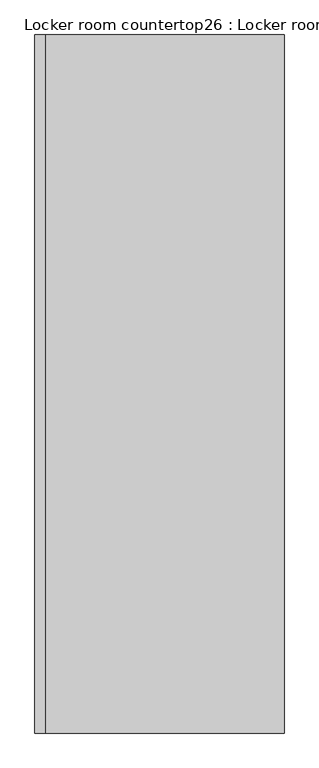
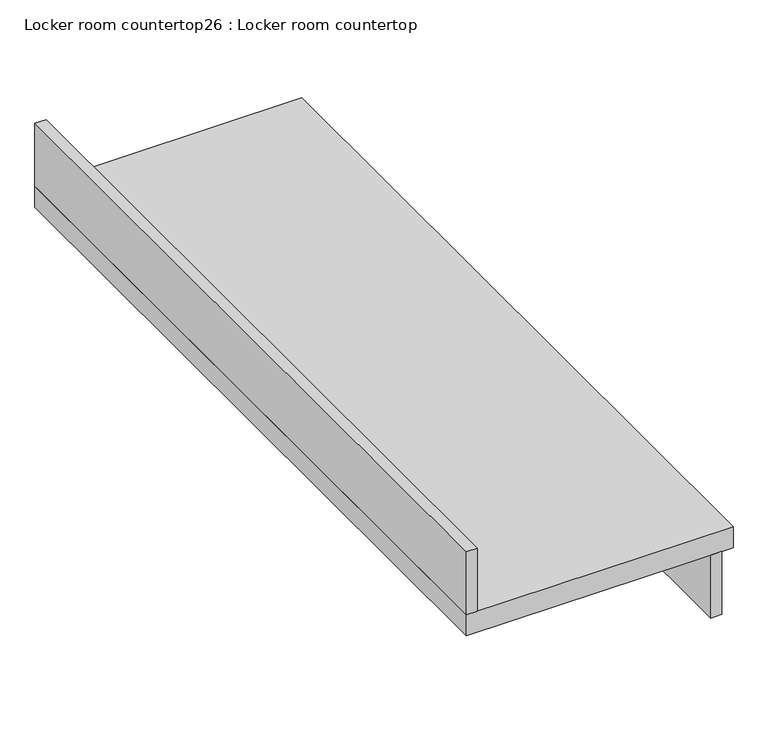
"""IFC4 building model written with IfcOpenShell, lengths in millimetres: furniture geometry, Locker room countertop26 : Locker room countertop."""

import ifcopenshell
import ifcopenshell.guid

model = None  # the IFC model being written
_history = None  # IfcOwnerHistory: only IFC2X3 demands one
_inside = {}  # id of a spatial element -> (the spatial element, [elements in it])
_under = {}  # id of a project, library or spatial element -> (it, [spatial elements below it])
_declared = {}  # id of a project -> (the project, [libraries it declares])
_typed = {}  # id of a type object -> (the type object, [elements of that type])
_made_of = {}  # id of a material, layer set ... -> (it, [elements and type objects made of it])


def new_model(schema):
    """Start an empty IFC model of exactly this schema.

    Asked for "IFC4X3", IfcOpenShell would pick the latest addendum, in which some entities
    have other attributes; the version numbers below select the first issue.
    IFC2X3 requires an IfcOwnerHistory on every rooted entity: one is made here for all.
    """
    global model, _history
    if schema == "IFC4X3":
        model = ifcopenshell.file(schema_version=(4, 3, 0, 0))
    else:
        model = ifcopenshell.file(schema=schema)
    _inside.clear()
    _under.clear()
    _declared.clear()
    _typed.clear()
    _made_of.clear()
    _history = None
    if model.schema == "IFC2X3":
        org = make("IfcOrganization", Name="unknown")
        user = make(
            "IfcPersonAndOrganization",
            ThePerson=make("IfcPerson", FamilyName="unknown"),
            TheOrganization=org,
        )
        app = make(
            "IfcApplication",
            ApplicationDeveloper=org,
            Version="unknown",
            ApplicationFullName="unknown",
            ApplicationIdentifier="unknown",
        )
        _history = make(
            "IfcOwnerHistory",
            OwningUser=user,
            OwningApplication=app,
            ChangeAction="ADDED",
            CreationDate=0,
        )
    return model


def make(cls, **values):
    """One entity of the class cls with the attributes given. An attribute that is None is left unset."""
    return model.create_entity(
        cls, **{name: value for name, value in values.items() if value is not None}
    )


def rooted(cls, **values):
    """An entity with a GlobalId (a new one), such as an element, a storey or a relation."""
    return make(cls, GlobalId=ifcopenshell.guid.new(), OwnerHistory=_history, **values)


def si_unit(unit_type, name, prefix=None):
    """IfcSIUnit, for example si_unit("LENGTHUNIT", "METRE", prefix="MILLI")."""
    return make("IfcSIUnit", UnitType=unit_type, Prefix=prefix, Name=name)


def assignment(units):
    """IfcUnitAssignment: the units of a project."""
    return None if units is None else make("IfcUnitAssignment", Units=units)


def point(xyz):
    """IfcCartesianPoint."""
    return None if xyz is None else make("IfcCartesianPoint", Coordinates=xyz)


def direction(xyz):
    """IfcDirection."""
    return None if xyz is None else make("IfcDirection", DirectionRatios=xyz)


def frame(location, z_axis=None, x_axis=None):
    """IfcAxis2Placement3D, a coordinate frame: its origin and axes. An axis left out is left unset."""
    return make(
        "IfcAxis2Placement3D",
        Location=point(location),
        Axis=direction(z_axis),
        RefDirection=direction(x_axis),
    )


def origin():
    """The frame at (0, 0, 0) with its axes left unset."""
    return frame((0.0, 0.0, 0.0))


def place(relative_to, where):
    """IfcLocalPlacement: puts the frame where relative to a parent placement (None: the world)."""
    return make(
        "IfcLocalPlacement", PlacementRelTo=relative_to, RelativePlacement=where
    )


def context(
    kind, dimensions, precision=None, world=None, true_north=None, identifier=None
):
    """IfcGeometricRepresentationContext, for example the 3D "Model" context."""
    return make(
        "IfcGeometricRepresentationContext",
        ContextIdentifier=identifier,
        ContextType=kind,
        CoordinateSpaceDimension=dimensions,
        Precision=precision,
        WorldCoordinateSystem=world,
        TrueNorth=true_north,
    )


def project(units=None, contexts=None):
    """IfcProject with its units and contexts."""
    return rooted(
        "IfcProject",
        Name="project",
        RepresentationContexts=contexts,
        UnitsInContext=assignment(units),
    )


def spatial(cls, under=None, at=None, **own):
    """A site, building, storey or space (cls), placed at a placement, below another one or the project."""
    s = rooted(cls, ObjectPlacement=at, **own)
    if under is not None:
        _under.setdefault(under.id(), (under, []))[1].append(s)
    return s


def polyline(points):
    """IfcPolyline through the points."""
    return make("IfcPolyline", Points=[point(p) for p in points])


def outline(outer, holes=None, kind="AREA"):
    """IfcArbitraryClosedProfileDef: a profile drawn as a closed curve; with holes, ...WithVoids."""
    if holes is None:
        return make("IfcArbitraryClosedProfileDef", ProfileType=kind, OuterCurve=outer)
    return make(
        "IfcArbitraryProfileDefWithVoids",
        ProfileType=kind,
        OuterCurve=outer,
        InnerCurves=holes,
    )


def extrude(swept, where, along, depth):
    """IfcExtrudedAreaSolid: the profile swept, set in the frame where, extruded along a direction by depth."""
    return make(
        "IfcExtrudedAreaSolid",
        SweptArea=swept,
        Position=where,
        ExtrudedDirection=direction(along),
        Depth=depth,
    )


def shape(context_of_items, identifier, shape_type, items):
    """IfcShapeRepresentation: the items that make up one representation, for example the "Body"."""
    return make(
        "IfcShapeRepresentation",
        ContextOfItems=context_of_items,
        RepresentationIdentifier=identifier,
        RepresentationType=shape_type,
        Items=items,
    )


def source(mapping_origin, context_of_items, identifier, shape_type, items):
    """IfcRepresentationMap: a shape defined once, which mapped items show again and again."""
    return make(
        "IfcRepresentationMap",
        MappingOrigin=mapping_origin,
        MappedRepresentation=shape(context_of_items, identifier, shape_type, items),
    )


def transform(
    local_origin,
    x_axis=None,
    y_axis=None,
    z_axis=None,
    scale=None,
    scale2=None,
    scale3=None,
    uniform=True,
):
    """IfcCartesianTransformationOperator3D, or its non-uniform kind. x_axis, y_axis, z_axis: its Axis1, 2, 3."""
    if uniform:
        return make(
            "IfcCartesianTransformationOperator3D",
            Axis1=direction(x_axis),
            Axis2=direction(y_axis),
            LocalOrigin=point(local_origin),
            Scale=scale,
            Axis3=direction(z_axis),
        )
    return make(
        "IfcCartesianTransformationOperator3DnonUniform",
        Axis1=direction(x_axis),
        Axis2=direction(y_axis),
        LocalOrigin=point(local_origin),
        Scale=scale,
        Axis3=direction(z_axis),
        Scale2=scale2,
        Scale3=scale3,
    )


def mapped(mapping_source, mapping_target):
    """IfcMappedItem: shows the shape of a source again, moved by a transform."""
    return make(
        "IfcMappedItem", MappingSource=mapping_source, MappingTarget=mapping_target
    )


def made_of(thing, what):
    """Note that an element or type object is made of a material, layer set ...; save() writes the relation."""
    if what is not None:
        _made_of.setdefault(what.id(), (what, []))[1].append(thing)
    return thing


def element(
    cls,
    number,
    at=None,
    inside=None,
    cuts=None,
    type_object=None,
    material=None,
    context=None,
    identifier="Body",
    shape_type=None,
    held_by="IfcProductDefinitionShape",
    body=None,
    shapes=None,
    **own,
):
    """One element of the class cls, such as IfcWall. Its Tag is "e" and its number.

    at: its placement. inside: the storey or other place that contains it. cuts: it is an
    opening in that element (IfcRelVoidsElement). A single representation is given by context,
    identifier, shape_type and body (its items); several are given by shapes. held_by: the class
    of the entity that holds the representations. save() writes the other relations.
    """
    e = rooted(cls, Tag="e%d" % number, ObjectPlacement=at, **own)
    if body is not None:
        shapes = [shape(context, identifier, shape_type, body)]
    if shapes is not None:
        e.Representation = make(held_by, Representations=shapes)
    if inside is not None:
        _inside.setdefault(inside.id(), (inside, []))[1].append(e)
    if cuts is not None:
        rooted(
            "IfcRelVoidsElement", RelatingBuildingElement=cuts, RelatedOpeningElement=e
        )
    if type_object is not None:
        _typed.setdefault(type_object.id(), (type_object, []))[1].append(e)
    return made_of(e, material)


def aggregate(whole, parts):
    """IfcRelAggregates: a whole, such as a stair, and the parts it consists of."""
    return rooted("IfcRelAggregates", RelatingObject=whole, RelatedObjects=parts)


def save(model, path):
    """Write the relations noted so far, then the file.

    IfcRelAggregates (storeys below a building ...), IfcRelContainedInSpatialStructure (elements
    in a storey), IfcRelDefinesByType, IfcRelAssociatesMaterial and IfcRelDeclares: one each for
    every whole, place, type object, material and project.
    """
    for whole, parts in _under.values():
        aggregate(whole, parts)
    for where, things in _inside.values():
        rooted(
            "IfcRelContainedInSpatialStructure",
            RelatedElements=things,
            RelatingStructure=where,
        )
    for kind, things in _typed.values():
        rooted("IfcRelDefinesByType", RelatedObjects=things, RelatingType=kind)
    for what, things in _made_of.values():
        rooted("IfcRelAssociatesMaterial", RelatedObjects=things, RelatingMaterial=what)
    for by, libraries in _declared.values():
        rooted("IfcRelDeclares", RelatingContext=by, RelatedDefinitions=libraries)
    model.write(path)


def locker_room_countertop26_locker_room_countertop_30714f41(model_context):
    return source(origin(), model_context, "Body", "SweptSolid", [
        extrude(outline(polyline([(432507.7666739, -116910.8327671), (432482.3666739, -116910.8327671), (432482.3666739, -115202.6827671), (432507.7666739, -115202.6827671), (432507.7666739, -116910.8327671)])), frame((0.0, 0.0, 660.4), z_axis=(0.0, 0.0, 1.0), x_axis=(1.0, 0.0, 0.0)), (0.0, 0.0, 1.0), 152.4),
        extrude(outline(polyline([(431948.9666739, -115202.6827671), (431948.9666739, -116910.8327671), (431923.5666739, -116910.8327671), (431923.5666739, -115202.6827671), (431948.9666739, -115202.6827671)])), frame((0.0, 0.0, 863.6), z_axis=(0.0, 0.0, 1.0), x_axis=(1.0, 0.0, 0.0)), (0.0, 0.0, 1.0), 152.4),
        extrude(outline(polyline([(432533.1666739, -115202.6827671), (432533.1666739, -116910.8327671), (431923.5666739, -116910.8327671), (431923.5666739, -115202.6827671), (432533.1666739, -115202.6827671)])), frame((0.0, 0.0, 812.8), z_axis=(0.0, 0.0, 1.0), x_axis=(1.0, 0.0, 0.0)), (0.0, 0.0, 1.0), 50.8),
    ])


if __name__ == "__main__":
    model = new_model("IFC4")
    model_context = context("Model", 3, world=origin())
    ifc_project = project(units=[si_unit("LENGTHUNIT", "METRE", prefix="MILLI")], contexts=[model_context])
    site = spatial("IfcSite", under=ifc_project)
    building = spatial("IfcBuilding", under=site)
    placement = place(None, origin())
    locker_room_countertop26_locker_room_countertop_shape = locker_room_countertop26_locker_room_countertop_30714f41(model_context)
    element("IfcFurniture", 1, ObjectType="Locker room countertop26 : Locker room countertop", at=placement, inside=building, context=model_context, shape_type="MappedRepresentation", body=[
        mapped(locker_room_countertop26_locker_room_countertop_shape, transform((0.0, 0.0, 0.0), x_axis=(1.0, 0.0, 0.0), y_axis=(0.0, 1.0, 0.0), z_axis=(0.0, 0.0, 1.0))),
    ])
    save(model, "model.ifc")
